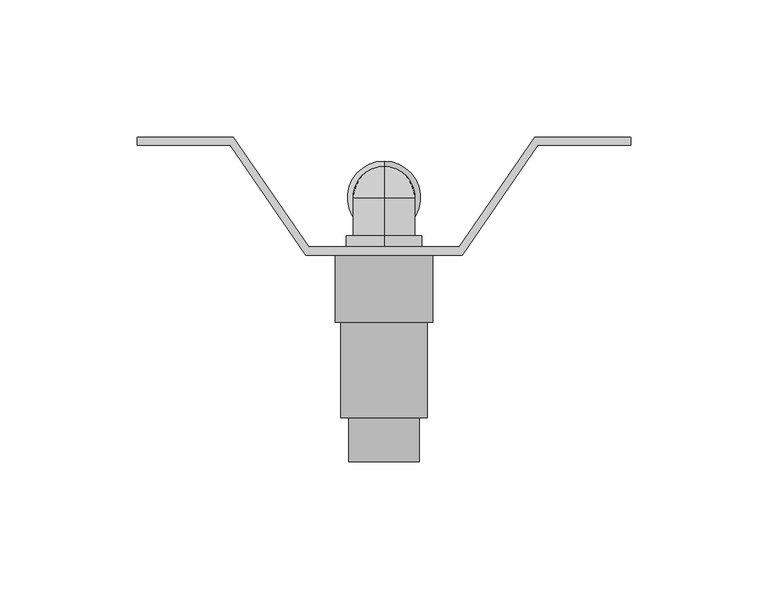
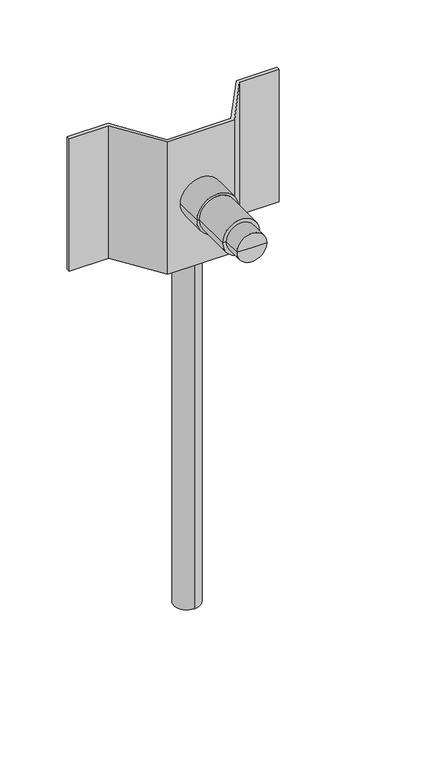
"""IFC4 building model written with IfcOpenShell, lengths in millimetres: flow terminal geometry."""

from ifc_helpers import new_model, si_unit, point, frame, origin, place, context, project, spatial, polyline, circle_curve, ellipse_curve, trimmed, outline, extrude, source, transform, mapped, element, save
from ifc_brep_helpers import plane_surface, cylinder_surface, revolved_surface, advanced_brep


def flow_terminal_2c461789(model_context):
    return source(origin(), model_context, "Body", "SolidModel", [
        advanced_brep(
        [(0.0, 0.0, -11.3), (0.0, 0.0, 11.3), (0.0, 11.3, 0.0), (0.0, -14.0, -11.3), (0.0, -14.0, 11.3), (0.0, -14.0, -13.8), (0.0, -14.0, 13.8), (0.0, -18.0, -13.8), (0.0, -18.0, 13.8), (0.0, -18.0, -11.3), (0.0, -18.0, 11.3), (0.0, -29.0, -11.3), (0.0, -29.0, 11.3), (0.0, -29.0, 0.0)],
        [
            (0, 1, circle_curve(frame((0.0, 0.0, 0.0), z_axis=(0.0, 1.0, 0.0), x_axis=(0.0, 0.0, 1.0)), 11.3)),
            (1, 2, circle_curve(frame((0.0, 0.0, 0.0), z_axis=(-1.0, 0.0, 0.0), x_axis=(0.0, 1.0, 0.0)), 11.3)),
            (2, 0, circle_curve(frame((0.0, 0.0, 0.0), z_axis=(-1.0, 0.0, 0.0), x_axis=(0.0, 1.0, 0.0)), 11.3)),
            (1, 0, circle_curve(frame((0.0, 0.0, 0.0), z_axis=(0.0, 1.0, 0.0), x_axis=(0.0, 0.0, 1.0)), 11.3)),
            (3, 4, circle_curve(frame((0.0, -14.0, 0.0), z_axis=(0.0, 1.0, 0.0), x_axis=(0.0, 0.0, 1.0)), 11.3)),
            (4, 1),
            (0, 3),
            (4, 3, circle_curve(frame((0.0, -14.0, 0.0), z_axis=(0.0, 1.0, 0.0), x_axis=(0.0, 0.0, 1.0)), 11.3)),
            (5, 6, circle_curve(frame((0.0, -14.0, 0.0), z_axis=(0.0, 1.0, 0.0), x_axis=(0.0, 0.0, 1.0)), 13.8)),
            (6, 4),
            (3, 5),
            (6, 5, circle_curve(frame((0.0, -14.0, 0.0), z_axis=(0.0, 1.0, 0.0), x_axis=(0.0, 0.0, 1.0)), 13.8)),
            (7, 8, circle_curve(frame((0.0, -18.0, 0.0), z_axis=(0.0, 1.0, 0.0), x_axis=(0.0, 0.0, 1.0)), 13.8)),
            (8, 6),
            (5, 7),
            (8, 7, circle_curve(frame((0.0, -18.0, 0.0), z_axis=(0.0, 1.0, 0.0), x_axis=(0.0, 0.0, 1.0)), 13.8)),
            (9, 10, circle_curve(frame((0.0, -18.0, 0.0), z_axis=(0.0, 1.0, 0.0), x_axis=(0.0, 0.0, 1.0)), 11.3)),
            (10, 8),
            (7, 9),
            (10, 9, circle_curve(frame((0.0, -18.0, 0.0), z_axis=(0.0, 1.0, 0.0), x_axis=(0.0, 0.0, 1.0)), 11.3)),
            (11, 12, circle_curve(frame((0.0, -29.0, 0.0), z_axis=(0.0, 1.0, 0.0), x_axis=(0.0, 0.0, 1.0)), 11.3)),
            (12, 10),
            (9, 11),
            (12, 11, circle_curve(frame((0.0, -29.0, 0.0), z_axis=(0.0, 1.0, 0.0), x_axis=(0.0, 0.0, 1.0)), 11.3)),
            (13, 12),
            (11, 13),
        ],
        [
            revolved_surface(trimmed(ellipse_curve(frame((0.0, 0.0, 0.0), z_axis=(1.0, 0.0, 0.0), x_axis=(0.0, 1.0, 0.0)), 11.3, 11.3), [point((0.0, 11.3, 0.0))], [point((0.0, 0.0, 11.3))], True, "CARTESIAN"), (0.0, 15.1860858, 0.0), (0.0, -1.0, 0.0)),
            cylinder_surface(frame((0.0, 15.1860858, 0.0), z_axis=(0.0, -1.0, 0.0), x_axis=(0.0, 0.0, 1.0)), 11.3),
            plane_surface(frame((0.0, -14.0, 0.0), z_axis=(0.0, 1.0, 0.0), x_axis=(0.0, 0.0, 1.0))),
            cylinder_surface(frame((0.0, 15.1860858, 0.0), z_axis=(0.0, -1.0, 0.0), x_axis=(0.0, 0.0, 1.0)), 13.8),
            plane_surface(frame((0.0, -18.0, 0.0), z_axis=(0.0, -1.0, 0.0), x_axis=(0.0, 0.0, 1.0))),
            plane_surface(frame((0.0, -29.0, 0.0), z_axis=(0.0, -1.0, 0.0), x_axis=(0.0, 0.0, 1.0))),
        ],
        [
            (0, [[1, 2, 3]]),
            (0, [[4, -3, -2]]),
            (1, [[5, 6, -1, 7]]),
            (1, [[8, -7, -4, -6]]),
            (2, [[9, 10, -5, 11]]),
            (2, [[12, -11, -8, -10]]),
            (3, [[13, 14, -9, 15]]),
            (3, [[16, -15, -12, -14]]),
            (4, [[17, 18, -13, 19]]),
            (4, [[20, -19, -16, -18]]),
            (1, [[21, 22, -17, 23]]),
            (1, [[24, -23, -20, -22]]),
            (5, [[25, -21, 26]]),
            (5, [[-26, -24, -25]]),
        ],
    ),
        advanced_brep(
        [(-17.85, -21.0, 0.0), (17.85, -21.0, 0.0), (17.85, -45.5, 0.0), (-17.85, -45.5, 0.0), (15.85, -45.5, 0.0), (-15.85, -45.5, 0.0), (15.85, -80.3, 0.0), (-15.85, -80.3, 0.0), (12.85, -80.3, 0.0), (-12.85, -80.3, 0.0), (12.85, -96.3, 0.0), (-12.85, -96.3, 0.0), (0.0, -96.3, 0.0), (0.0, -21.0, 0.0)],
        [
            (0, 1, circle_curve(frame((0.0, -21.0, 0.0), z_axis=(0.0, -1.0, 0.0), x_axis=(1.0, 0.0, 0.0)), 17.85)),
            (1, 2),
            (2, 3, circle_curve(frame((0.0, -45.5, 0.0), z_axis=(0.0, 1.0, 0.0), x_axis=(1.0, 0.0, 0.0)), 17.85)),
            (3, 0),
            (1, 0, circle_curve(frame((0.0, -21.0, 0.0), z_axis=(0.0, -1.0, 0.0), x_axis=(1.0, 0.0, 0.0)), 17.85)),
            (3, 2, circle_curve(frame((0.0, -45.5, 0.0), z_axis=(0.0, 1.0, 0.0), x_axis=(1.0, 0.0, 0.0)), 17.85)),
            (2, 4),
            (4, 5, circle_curve(frame((0.0, -45.5, 0.0), z_axis=(0.0, 1.0, 0.0), x_axis=(1.0, 0.0, 0.0)), 15.85)),
            (5, 3),
            (5, 4, circle_curve(frame((0.0, -45.5, 0.0), z_axis=(0.0, 1.0, 0.0), x_axis=(1.0, 0.0, 0.0)), 15.85)),
            (4, 6),
            (6, 7, circle_curve(frame((0.0, -80.3, 0.0), z_axis=(0.0, 1.0, 0.0), x_axis=(1.0, 0.0, 0.0)), 15.85)),
            (7, 5),
            (7, 6, circle_curve(frame((0.0, -80.3, 0.0), z_axis=(0.0, 1.0, 0.0), x_axis=(1.0, 0.0, 0.0)), 15.85)),
            (6, 8),
            (8, 9, circle_curve(frame((0.0, -80.3, 0.0), z_axis=(0.0, 1.0, 0.0), x_axis=(1.0, 0.0, 0.0)), 12.85)),
            (9, 7),
            (9, 8, circle_curve(frame((0.0, -80.3, 0.0), z_axis=(0.0, 1.0, 0.0), x_axis=(1.0, 0.0, 0.0)), 12.85)),
            (8, 10),
            (10, 11, circle_curve(frame((0.0, -96.3, 0.0), z_axis=(0.0, 1.0, 0.0), x_axis=(1.0, 0.0, 0.0)), 12.85)),
            (11, 9),
            (11, 10, circle_curve(frame((0.0, -96.3, 0.0), z_axis=(0.0, 1.0, 0.0), x_axis=(1.0, 0.0, 0.0)), 12.85)),
            (10, 12),
            (12, 11),
            (13, 1),
            (0, 13),
        ],
        [
            cylinder_surface(frame((0.0, -116.0, 0.0), z_axis=(0.0, 1.0, 0.0), x_axis=(1.0, 0.0, 0.0)), 17.85),
            plane_surface(frame((0.0, -45.5, 0.0), z_axis=(0.0, -1.0, 0.0), x_axis=(1.0, 0.0, 0.0))),
            cylinder_surface(frame((0.0, -116.0, 0.0), z_axis=(0.0, 1.0, 0.0), x_axis=(1.0, 0.0, 0.0)), 15.85),
            plane_surface(frame((0.0, -80.3, 0.0), z_axis=(0.0, -1.0, 0.0), x_axis=(1.0, 0.0, 0.0))),
            cylinder_surface(frame((0.0, -116.0, 0.0), z_axis=(0.0, 1.0, 0.0), x_axis=(1.0, 0.0, 0.0)), 12.85),
            plane_surface(frame((0.0, -96.3, 0.0), z_axis=(0.0, -1.0, 0.0), x_axis=(1.0, 0.0, 0.0))),
            plane_surface(frame((0.0, -21.0, 0.0), z_axis=(0.0, 1.0, 0.0), x_axis=(1.0, 0.0, 0.0))),
        ],
        [
            (0, [[1, 2, 3, 4]]),
            (0, [[5, -4, 6, -2]]),
            (1, [[-3, 7, 8, 9]]),
            (1, [[-6, -9, 10, -7]]),
            (2, [[-8, 11, 12, 13]]),
            (2, [[-10, -13, 14, -11]]),
            (3, [[-12, 15, 16, 17]]),
            (3, [[-14, -17, 18, -15]]),
            (4, [[-16, 19, 20, 21]]),
            (4, [[-18, -21, 22, -19]]),
            (5, [[-20, 23, 24]]),
            (5, [[-22, -24, -23]]),
            (6, [[25, -1, 26]]),
            (6, [[-26, -5, -25]]),
        ],
    ),
        extrude(outline(polyline([(-55.0, 22.0), (-27.5, -18.0), (27.5, -18.0), (55.0, 22.0), (90.0, 22.0), (90.0, 19.0), (56.0878906, 19.0), (28.5878906, -21.0), (-28.5878906, -21.0), (-56.0878906, 19.0), (-90.0, 19.0), (-90.0, 22.0), (-55.0, 22.0)])), frame((0.0, 0.0, -60.0), z_axis=(0.0, 0.0, 1.0), x_axis=(1.0, 0.0, 0.0)), (0.0, 0.0, 1.0), 120.0),
        advanced_brep(
        [(0.0, -11.0, -379.07), (0.0, 11.0, -379.07), (0.0, 0.0, -379.07), (0.0, -11.0, -52.07), (0.0, 11.0, -52.07), (0.0, 0.0, -52.07)],
        [
            (0, 1, circle_curve(frame((0.0, 0.0, -379.07), z_axis=(0.0, 0.0, -1.0), x_axis=(0.0, 1.0, 0.0)), 11.0)),
            (1, 2),
            (2, 0),
            (1, 0, circle_curve(frame((0.0, 0.0, -379.07), z_axis=(0.0, 0.0, -1.0), x_axis=(0.0, 1.0, 0.0)), 11.0)),
            (3, 4, circle_curve(frame((0.0, 0.0, -52.07), z_axis=(0.0, 0.0, -1.0), x_axis=(0.0, 1.0, 0.0)), 11.0)),
            (4, 1),
            (0, 3),
            (4, 3, circle_curve(frame((0.0, 0.0, -52.07), z_axis=(0.0, 0.0, -1.0), x_axis=(0.0, 1.0, 0.0)), 11.0)),
            (5, 4),
            (3, 5),
        ],
        [
            plane_surface(frame((0.0, 0.0, -379.07), z_axis=(0.0, 0.0, -1.0), x_axis=(0.0, 1.0, 0.0))),
            cylinder_surface(frame((0.0, 0.0, -409.07), z_axis=(0.0, 0.0, 1.0), x_axis=(0.0, 1.0, 0.0)), 11.0),
            plane_surface(frame((0.0, 0.0, -52.07), z_axis=(0.0, 0.0, 1.0), x_axis=(0.0, 1.0, 0.0))),
        ],
        [
            (0, [[1, 2, 3]]),
            (0, [[4, -3, -2]]),
            (1, [[5, 6, -1, 7]]),
            (1, [[8, -7, -4, -6]]),
            (2, [[9, -5, 10]]),
            (2, [[-10, -8, -9]]),
        ],
    ),
        advanced_brep(
        [(0.0, -11.0, -52.07), (0.0, 11.0, -52.07), (0.0, 0.0, -52.07), (0.0, -13.3, -51.07), (0.0, 13.3, -51.07), (0.0, -13.3, -14.23), (0.0, 13.3, -14.23), (0.0, -11.3, -12.23), (0.0, 11.3, -12.23), (0.0, -11.3, 0.0), (0.0, 11.3, 0.0), (0.0, 0.0, 11.3)],
        [
            (0, 1, circle_curve(frame((0.0, 0.0, -52.07), z_axis=(0.0, 0.0, -1.0), x_axis=(0.0, 1.0, 0.0)), 11.0)),
            (1, 2),
            (2, 0),
            (1, 0, circle_curve(frame((0.0, 0.0, -52.07), z_axis=(0.0, 0.0, -1.0), x_axis=(0.0, 1.0, 0.0)), 11.0)),
            (3, 4, circle_curve(frame((0.0, 0.0, -51.07), z_axis=(0.0, 0.0, -1.0), x_axis=(0.0, 1.0, 0.0)), 13.3)),
            (4, 1),
            (0, 3),
            (4, 3, circle_curve(frame((0.0, 0.0, -51.07), z_axis=(0.0, 0.0, -1.0), x_axis=(0.0, 1.0, 0.0)), 13.3)),
            (5, 6, circle_curve(frame((0.0, 0.0, -14.23), z_axis=(0.0, 0.0, -1.0), x_axis=(0.0, 1.0, 0.0)), 13.3)),
            (6, 4),
            (3, 5),
            (6, 5, circle_curve(frame((0.0, 0.0, -14.23), z_axis=(0.0, 0.0, -1.0), x_axis=(0.0, 1.0, 0.0)), 13.3)),
            (7, 8, circle_curve(frame((0.0, 0.0, -12.23), z_axis=(0.0, 0.0, -1.0), x_axis=(0.0, 1.0, 0.0)), 11.3)),
            (8, 6),
            (5, 7),
            (8, 7, circle_curve(frame((0.0, 0.0, -12.23), z_axis=(0.0, 0.0, -1.0), x_axis=(0.0, 1.0, 0.0)), 11.3)),
            (9, 10, circle_curve(frame((0.0, 0.0, 0.0), z_axis=(0.0, 0.0, -1.0), x_axis=(0.0, 1.0, 0.0)), 11.3)),
            (10, 8),
            (7, 9),
            (10, 9, circle_curve(frame((0.0, 0.0, 0.0), z_axis=(0.0, 0.0, -1.0), x_axis=(0.0, 1.0, 0.0)), 11.3)),
            (11, 10, circle_curve(frame((0.0, 0.0, 0.0), z_axis=(-1.0, 0.0, 0.0), x_axis=(0.0, 1.0, 0.0)), 11.3)),
            (9, 11, circle_curve(frame((0.0, 0.0, 0.0), z_axis=(-1.0, 0.0, 0.0), x_axis=(0.0, -1.0, 0.0)), 11.3)),
        ],
        [
            plane_surface(frame((0.0, 0.0, -52.07), z_axis=(0.0, 0.0, -1.0), x_axis=(0.0, 1.0, 0.0))),
            revolved_surface(polyline([(0.0, 11.0, -52.07), (0.0, 13.3, -51.07)]), (0.0, 0.0, -56.8526087), (0.0, 0.0, 1.0)),
            cylinder_surface(frame((0.0, 0.0, -56.8526087), z_axis=(0.0, 0.0, 1.0), x_axis=(0.0, 1.0, 0.0)), 13.3),
            revolved_surface(polyline([(0.0, 13.3, -14.23), (0.0, 11.3, -12.23)]), (0.0, 0.0, -56.8526087), (0.0, 0.0, 1.0)),
            cylinder_surface(frame((0.0, 0.0, -56.8526087), z_axis=(0.0, 0.0, 1.0), x_axis=(0.0, 1.0, 0.0)), 11.3),
            revolved_surface(trimmed(ellipse_curve(frame((0.0, 0.0, 0.0), z_axis=(1.0, 0.0, 0.0), x_axis=(0.0, 1.0, 0.0)), 11.3, 11.3), [point((0.0, 11.3, 0.0))], [point((0.0, 0.0, 11.3))], True, "CARTESIAN"), (0.0, 0.0, -56.8526087), (0.0, 0.0, 1.0)),
        ],
        [
            (0, [[1, 2, 3]]),
            (0, [[4, -3, -2]]),
            (1, [[5, 6, -1, 7]]),
            (1, [[8, -7, -4, -6]]),
            (2, [[9, 10, -5, 11]]),
            (2, [[12, -11, -8, -10]]),
            (3, [[13, 14, -9, 15]]),
            (3, [[16, -15, -12, -14]]),
            (4, [[17, 18, -13, 19]]),
            (4, [[20, -19, -16, -18]]),
            (5, [[21, -17, 22]]),
            (5, [[-22, -20, -21]]),
        ],
    ),
    ])


if __name__ == "__main__":
    model = new_model("IFC4")
    model_context = context("Model", 3, world=origin())
    ifc_project = project(units=[si_unit("LENGTHUNIT", "METRE", prefix="MILLI")], contexts=[model_context])
    site = spatial("IfcSite", under=ifc_project)
    building = spatial("IfcBuilding", under=site)
    placement = place(None, origin())
    flow_terminal_shape = flow_terminal_2c461789(model_context)
    element("IfcFlowTerminal", 1, at=placement, inside=building, context=model_context, shape_type="MappedRepresentation", body=[
        mapped(flow_terminal_shape, transform((0.0, 0.0, 0.0), x_axis=(1.0, 0.0, 0.0), y_axis=(0.0, 1.0, 0.0), z_axis=(0.0, 0.0, 1.0))),
    ])
    save(model, "model.ifc")
